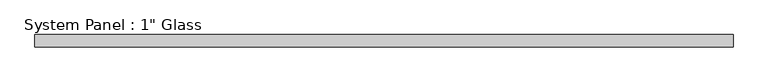
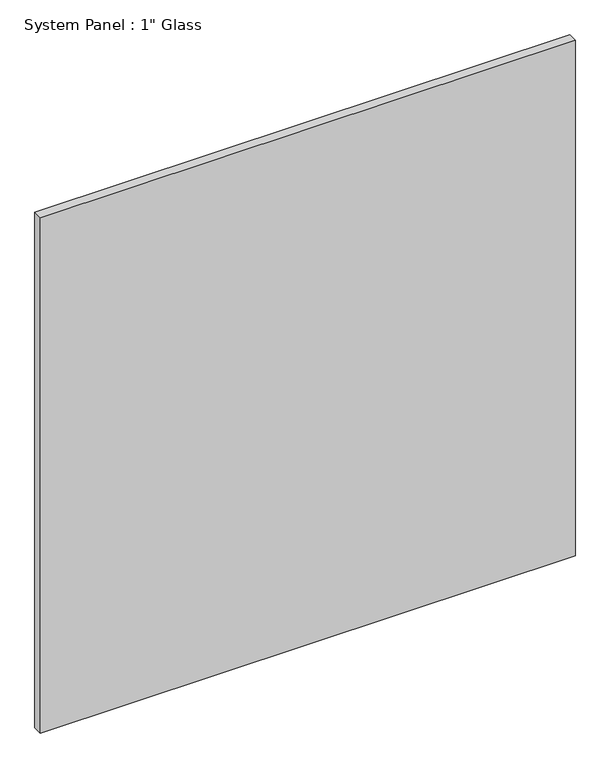
"""IFC4 building model written with IfcOpenShell, lengths in millimetres: plate geometry."""

from ifc_helpers import new_model, si_unit, origin, origin_with_axes, place, context, project, spatial, polyline, outline, extrude, source, transform, mapped, element, save


def plate_744383fd(model_context):
    return source(origin(), model_context, "Body", "SweptSolid", [
        extrude(outline(polyline([(720.7258852, -12.7), (-720.7258852, -12.7), (-720.7258852, 12.7), (720.7258852, 12.7), (720.7258852, -12.7)])), origin_with_axes(), (0.0, 0.0, 1.0), 1468.0111731),
    ])


if __name__ == "__main__":
    model = new_model("IFC4")
    model_context = context("Model", 3, world=origin())
    ifc_project = project(units=[si_unit("LENGTHUNIT", "METRE", prefix="MILLI")], contexts=[model_context])
    site = spatial("IfcSite", under=ifc_project)
    building = spatial("IfcBuilding", under=site)
    placement = place(None, origin())
    plate_shape = plate_744383fd(model_context)
    element("IfcPlate", 1, ObjectType="System Panel : 1\" Glass", at=placement, inside=building, context=model_context, shape_type="MappedRepresentation", body=[
        mapped(plate_shape, transform((0.0, 0.0, 0.0), x_axis=(1.0, 0.0, 0.0), y_axis=(0.0, 1.0, 0.0), z_axis=(0.0, 0.0, 1.0))),
    ])
    save(model, "model.ifc")
